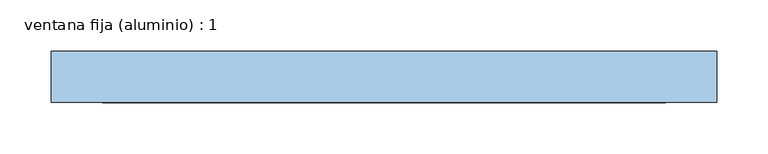
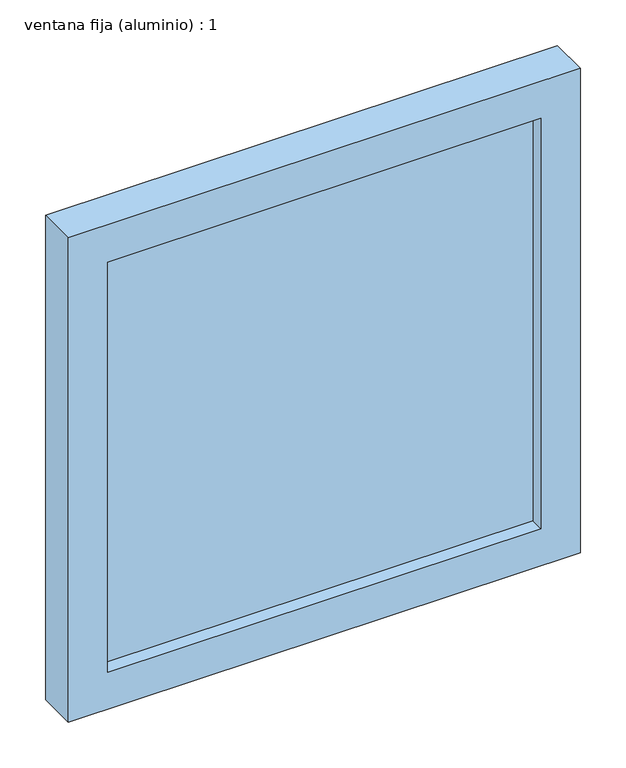
"""IFC4 building model written with IfcOpenShell, lengths in millimetres: window geometry, ventana fija (aluminio) : 1."""

from ifc_helpers import new_model, si_unit, frame, origin, place, context, project, spatial, polyline, outline, extrude, source, transform, mapped, element, save


def ventana_fija_aluminio_1_c32aafd7(model_context):
    return source(origin(), model_context, "Body", "SweptSolid", [
        extrude(outline(polyline([(275.0, 116.5), (-275.0, 116.5), (-275.0, 131.5), (275.0, 131.5), (275.0, 116.5)])), frame((0.0, 0.0, 850.0), z_axis=(0.0, 0.0, 1.0), x_axis=(1.0, 0.0, 0.0)), (0.0, 0.0, 1.0), 550.0),
        extrude(outline(polyline([(1450.0, -325.0), (800.0, -325.0), (800.0, 325.0), (1450.0, 325.0), (1450.0, -325.0)]), holes=[polyline([(1400.0, -275.0), (1400.0, 275.0), (850.0, 275.0), (850.0, -275.0), (1400.0, -275.0)])]), frame((0.0, 99.0, 0.0), z_axis=(0.0, 1.0, 0.0), x_axis=(0.0, 0.0, 1.0)), (0.0, 0.0, 1.0), 50.0),
    ])


if __name__ == "__main__":
    model = new_model("IFC4")
    model_context = context("Model", 3, world=origin())
    ifc_project = project(units=[si_unit("LENGTHUNIT", "METRE", prefix="MILLI")], contexts=[model_context])
    site = spatial("IfcSite", under=ifc_project)
    building = spatial("IfcBuilding", under=site)
    placement = place(None, origin())
    ventana_fija_aluminio_1_shape = ventana_fija_aluminio_1_c32aafd7(model_context)
    element("IfcWindow", 1, ObjectType="ventana fija (aluminio) : 1", at=placement, inside=building, context=model_context, shape_type="MappedRepresentation", body=[
        mapped(ventana_fija_aluminio_1_shape, transform((0.0, 0.0, 0.0), x_axis=(1.0, 0.0, 0.0), y_axis=(0.0, 1.0, 0.0), z_axis=(0.0, 0.0, 1.0))),
    ])
    save(model, "model.ifc")
